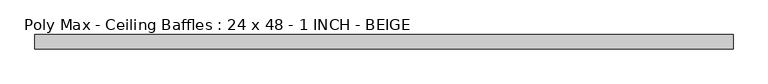
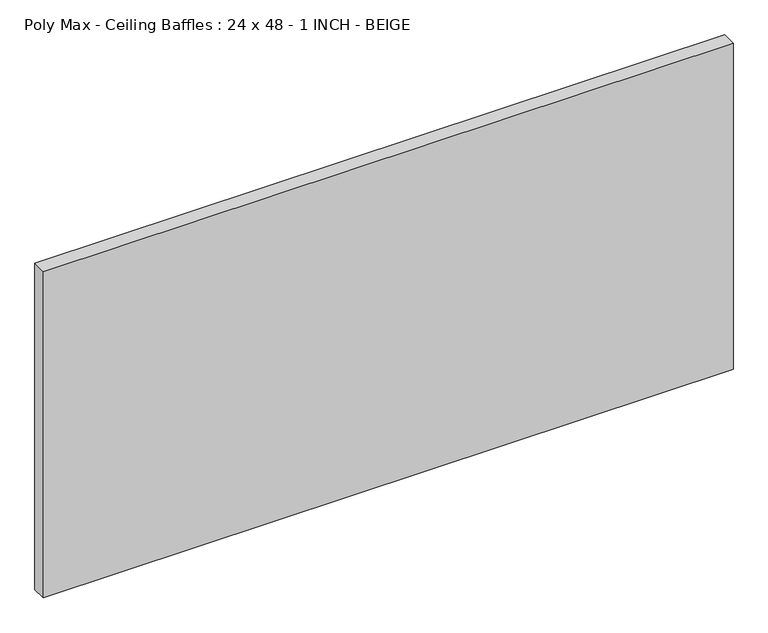
"""IFC4 building model written with IfcOpenShell, lengths in millimetres: proxy geometry, Poly Max - Ceiling Baffles : 24 x 48 - 1 INCH - BEIGE."""

from ifc_helpers import new_model, si_unit, origin, origin_with_axes, place, context, project, spatial, polyline, outline, extrude, source, transform, mapped, element, save


def poly_max_ceiling_baffles_24_x_48_1_inch_beige_e6cd1cce(model_context):
    return source(origin(), model_context, "Body", "SweptSolid", [
        extrude(outline(polyline([(609.6, -25.4), (-609.6, -25.4), (-609.6, 0.0), (609.6, 0.0), (609.6, -25.4)])), origin_with_axes(), (0.0, 0.0, 1.0), 609.6),
    ])


if __name__ == "__main__":
    model = new_model("IFC4")
    model_context = context("Model", 3, world=origin())
    ifc_project = project(units=[si_unit("LENGTHUNIT", "METRE", prefix="MILLI")], contexts=[model_context])
    site = spatial("IfcSite", under=ifc_project)
    building = spatial("IfcBuilding", under=site)
    placement = place(None, origin())
    poly_max_ceiling_baffles_24_x_48_1_inch_beige_shape = poly_max_ceiling_baffles_24_x_48_1_inch_beige_e6cd1cce(model_context)
    element("IfcBuildingElementProxy", 1, Name="Poly Max - Ceiling Baffles : 24 x 48 - 1 INCH - BEIGE", ObjectType="Poly Max - Ceiling Baffles : 24 x 48 - 1 INCH - BEIGE", at=placement, inside=building, context=model_context, shape_type="MappedRepresentation", body=[
        mapped(poly_max_ceiling_baffles_24_x_48_1_inch_beige_shape, transform((0.0, 0.0, 0.0), x_axis=(1.0, 0.0, 0.0), y_axis=(0.0, 1.0, 0.0), z_axis=(0.0, 0.0, 1.0))),
    ])
    save(model, "model.ifc")
